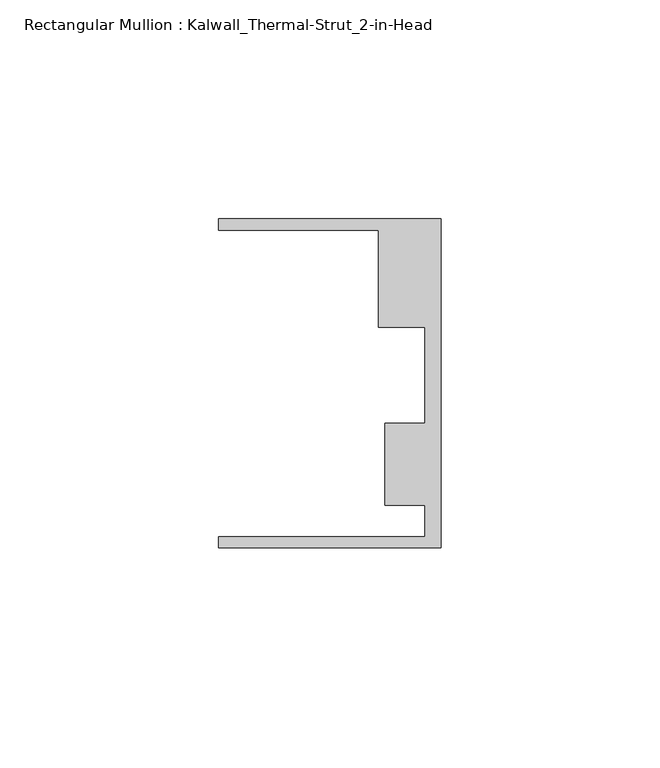
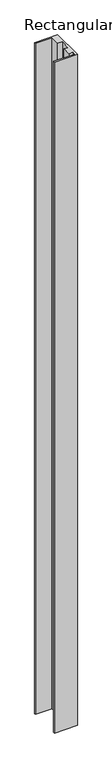
"""IFC4 building model written with IfcOpenShell, lengths in millimetres: member geometry, Rectangular Mullion : Kalwall_Thermal-Strut_2-in-Head."""

from ifc_helpers import new_model, si_unit, frame, origin, place, context, project, spatial, polyline, outline, extrude, source, transform, mapped, element, save


def rectangular_mullion_kalwall_thermal_strut_2_in_head_dd17ecf2(model_context):
    return source(origin(), model_context, "Body", "SweptSolid", [
        extrude(outline(polyline([(0.0, -37.5776386), (-50.8, -37.5776386), (-50.8, -35.0376386), (-3.7084, -35.0376386), (-3.7084, -27.8888568), (-12.8272539, -27.8888568), (-12.8272539, -9.1879886), (-3.7084, -9.1879886), (-3.7084, 12.7373614), (-14.2875, 12.7373614), (-14.2875, 34.9623614), (-50.8, 34.9623614), (-50.8, 37.5023614), (0.0, 37.5023614), (0.0, -37.5776386)])), frame((0.0, 0.0, -1565.502), z_axis=(0.0, 0.0, 1.0), x_axis=(1.0, 0.0, 0.0)), (0.0, 0.0, 1.0), 1565.502),
    ])


if __name__ == "__main__":
    model = new_model("IFC4")
    model_context = context("Model", 3, world=origin())
    ifc_project = project(units=[si_unit("LENGTHUNIT", "METRE", prefix="MILLI")], contexts=[model_context])
    site = spatial("IfcSite", under=ifc_project)
    building = spatial("IfcBuilding", under=site)
    placement = place(None, origin())
    rectangular_mullion_kalwall_thermal_strut_2_in_head_shape = rectangular_mullion_kalwall_thermal_strut_2_in_head_dd17ecf2(model_context)
    element("IfcMember", 1, ObjectType="Rectangular Mullion : Kalwall_Thermal-Strut_2-in-Head", at=placement, inside=building, context=model_context, shape_type="MappedRepresentation", body=[
        mapped(rectangular_mullion_kalwall_thermal_strut_2_in_head_shape, transform((0.0, 0.0, 0.0), x_axis=(1.0, 0.0, 0.0), y_axis=(0.0, 1.0, 0.0), z_axis=(0.0, 0.0, 1.0))),
    ])
    save(model, "model.ifc")
